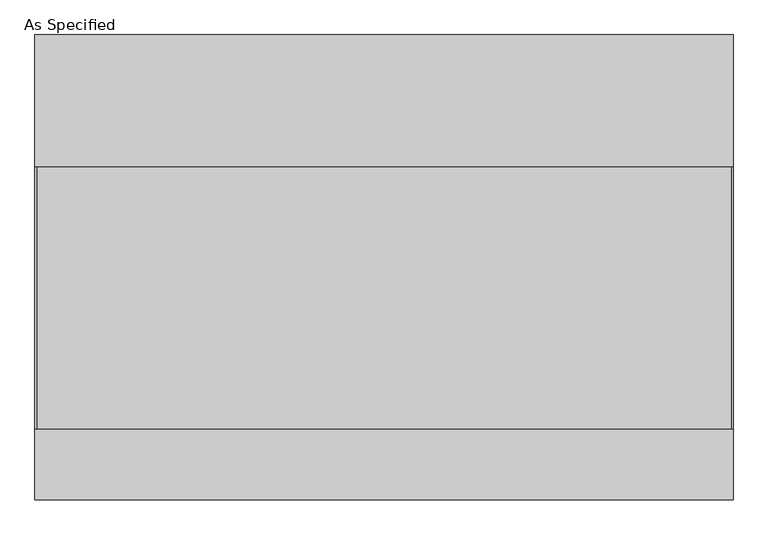
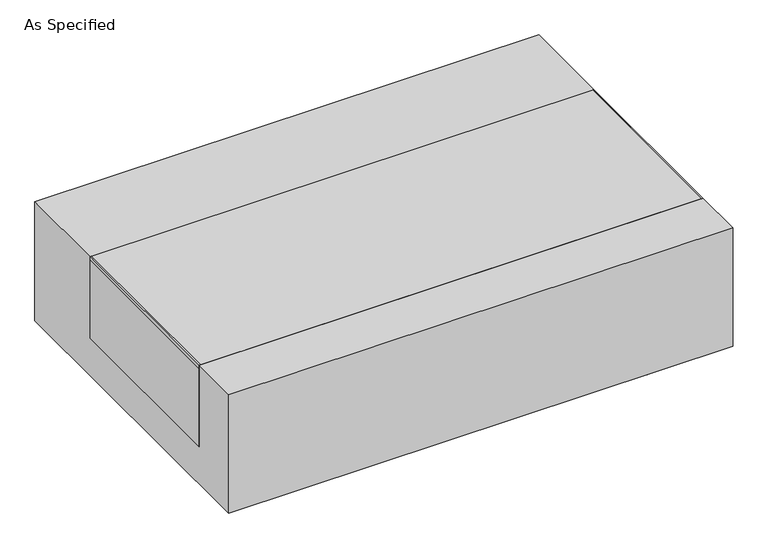
"""IFC4 building model written with IfcOpenShell, lengths in millimetres: proxy geometry, As Specified."""

import ifcopenshell
import ifcopenshell.guid

model = None  # the IFC model being written
_history = None  # IfcOwnerHistory: only IFC2X3 demands one
_inside = {}  # id of a spatial element -> (the spatial element, [elements in it])
_under = {}  # id of a project, library or spatial element -> (it, [spatial elements below it])
_declared = {}  # id of a project -> (the project, [libraries it declares])
_typed = {}  # id of a type object -> (the type object, [elements of that type])
_made_of = {}  # id of a material, layer set ... -> (it, [elements and type objects made of it])


def new_model(schema):
    """Start an empty IFC model of exactly this schema.

    Asked for "IFC4X3", IfcOpenShell would pick the latest addendum, in which some entities
    have other attributes; the version numbers below select the first issue.
    IFC2X3 requires an IfcOwnerHistory on every rooted entity: one is made here for all.
    """
    global model, _history
    if schema == "IFC4X3":
        model = ifcopenshell.file(schema_version=(4, 3, 0, 0))
    else:
        model = ifcopenshell.file(schema=schema)
    _inside.clear()
    _under.clear()
    _declared.clear()
    _typed.clear()
    _made_of.clear()
    _history = None
    if model.schema == "IFC2X3":
        org = make("IfcOrganization", Name="unknown")
        user = make(
            "IfcPersonAndOrganization",
            ThePerson=make("IfcPerson", FamilyName="unknown"),
            TheOrganization=org,
        )
        app = make(
            "IfcApplication",
            ApplicationDeveloper=org,
            Version="unknown",
            ApplicationFullName="unknown",
            ApplicationIdentifier="unknown",
        )
        _history = make(
            "IfcOwnerHistory",
            OwningUser=user,
            OwningApplication=app,
            ChangeAction="ADDED",
            CreationDate=0,
        )
    return model


def make(cls, **values):
    """One entity of the class cls with the attributes given. An attribute that is None is left unset."""
    return model.create_entity(
        cls, **{name: value for name, value in values.items() if value is not None}
    )


def rooted(cls, **values):
    """An entity with a GlobalId (a new one), such as an element, a storey or a relation."""
    return make(cls, GlobalId=ifcopenshell.guid.new(), OwnerHistory=_history, **values)


def si_unit(unit_type, name, prefix=None):
    """IfcSIUnit, for example si_unit("LENGTHUNIT", "METRE", prefix="MILLI")."""
    return make("IfcSIUnit", UnitType=unit_type, Prefix=prefix, Name=name)


def assignment(units):
    """IfcUnitAssignment: the units of a project."""
    return None if units is None else make("IfcUnitAssignment", Units=units)


def point(xyz):
    """IfcCartesianPoint."""
    return None if xyz is None else make("IfcCartesianPoint", Coordinates=xyz)


def direction(xyz):
    """IfcDirection."""
    return None if xyz is None else make("IfcDirection", DirectionRatios=xyz)


def frame(location, z_axis=None, x_axis=None):
    """IfcAxis2Placement3D, a coordinate frame: its origin and axes. An axis left out is left unset."""
    return make(
        "IfcAxis2Placement3D",
        Location=point(location),
        Axis=direction(z_axis),
        RefDirection=direction(x_axis),
    )


def frame_2d(location, x_axis=None):
    """IfcAxis2Placement2D, a coordinate frame in the plane: its origin and x axis."""
    return make(
        "IfcAxis2Placement2D", Location=point(location), RefDirection=direction(x_axis)
    )


def origin():
    """The frame at (0, 0, 0) with its axes left unset."""
    return frame((0.0, 0.0, 0.0))


def place(relative_to, where):
    """IfcLocalPlacement: puts the frame where relative to a parent placement (None: the world)."""
    return make(
        "IfcLocalPlacement", PlacementRelTo=relative_to, RelativePlacement=where
    )


def context(
    kind, dimensions, precision=None, world=None, true_north=None, identifier=None
):
    """IfcGeometricRepresentationContext, for example the 3D "Model" context."""
    return make(
        "IfcGeometricRepresentationContext",
        ContextIdentifier=identifier,
        ContextType=kind,
        CoordinateSpaceDimension=dimensions,
        Precision=precision,
        WorldCoordinateSystem=world,
        TrueNorth=true_north,
    )


def project(units=None, contexts=None):
    """IfcProject with its units and contexts."""
    return rooted(
        "IfcProject",
        Name="project",
        RepresentationContexts=contexts,
        UnitsInContext=assignment(units),
    )


def spatial(cls, under=None, at=None, **own):
    """A site, building, storey or space (cls), placed at a placement, below another one or the project."""
    s = rooted(cls, ObjectPlacement=at, **own)
    if under is not None:
        _under.setdefault(under.id(), (under, []))[1].append(s)
    return s


def polyline(points):
    """IfcPolyline through the points."""
    return make("IfcPolyline", Points=[point(p) for p in points])


def circle_curve(where, radius):
    """IfcCircle in the frame where."""
    return make("IfcCircle", Position=where, Radius=radius)


def trimmed(basis, trim1, trim2, sense, master):
    """IfcTrimmedCurve: the piece of a basis curve between two trims."""
    return make(
        "IfcTrimmedCurve",
        BasisCurve=basis,
        Trim1=trim1,
        Trim2=trim2,
        SenseAgreement=sense,
        MasterRepresentation=master,
    )


def segment(curve, same_sense, transition):
    """IfcCompositeCurveSegment."""
    return make(
        "IfcCompositeCurveSegment",
        Transition=transition,
        SameSense=same_sense,
        ParentCurve=curve,
    )


def composite_curve(segments, self_intersect=None):
    """IfcCompositeCurve: segments joined end to end."""
    return make("IfcCompositeCurve", Segments=segments, SelfIntersect=self_intersect)


def outline(outer, holes=None, kind="AREA"):
    """IfcArbitraryClosedProfileDef: a profile drawn as a closed curve; with holes, ...WithVoids."""
    if holes is None:
        return make("IfcArbitraryClosedProfileDef", ProfileType=kind, OuterCurve=outer)
    return make(
        "IfcArbitraryProfileDefWithVoids",
        ProfileType=kind,
        OuterCurve=outer,
        InnerCurves=holes,
    )


def extrude(swept, where, along, depth):
    """IfcExtrudedAreaSolid: the profile swept, set in the frame where, extruded along a direction by depth."""
    return make(
        "IfcExtrudedAreaSolid",
        SweptArea=swept,
        Position=where,
        ExtrudedDirection=direction(along),
        Depth=depth,
    )


def shape(context_of_items, identifier, shape_type, items):
    """IfcShapeRepresentation: the items that make up one representation, for example the "Body"."""
    return make(
        "IfcShapeRepresentation",
        ContextOfItems=context_of_items,
        RepresentationIdentifier=identifier,
        RepresentationType=shape_type,
        Items=items,
    )


def source(mapping_origin, context_of_items, identifier, shape_type, items):
    """IfcRepresentationMap: a shape defined once, which mapped items show again and again."""
    return make(
        "IfcRepresentationMap",
        MappingOrigin=mapping_origin,
        MappedRepresentation=shape(context_of_items, identifier, shape_type, items),
    )


def transform(
    local_origin,
    x_axis=None,
    y_axis=None,
    z_axis=None,
    scale=None,
    scale2=None,
    scale3=None,
    uniform=True,
):
    """IfcCartesianTransformationOperator3D, or its non-uniform kind. x_axis, y_axis, z_axis: its Axis1, 2, 3."""
    if uniform:
        return make(
            "IfcCartesianTransformationOperator3D",
            Axis1=direction(x_axis),
            Axis2=direction(y_axis),
            LocalOrigin=point(local_origin),
            Scale=scale,
            Axis3=direction(z_axis),
        )
    return make(
        "IfcCartesianTransformationOperator3DnonUniform",
        Axis1=direction(x_axis),
        Axis2=direction(y_axis),
        LocalOrigin=point(local_origin),
        Scale=scale,
        Axis3=direction(z_axis),
        Scale2=scale2,
        Scale3=scale3,
    )


def mapped(mapping_source, mapping_target):
    """IfcMappedItem: shows the shape of a source again, moved by a transform."""
    return make(
        "IfcMappedItem", MappingSource=mapping_source, MappingTarget=mapping_target
    )


def made_of(thing, what):
    """Note that an element or type object is made of a material, layer set ...; save() writes the relation."""
    if what is not None:
        _made_of.setdefault(what.id(), (what, []))[1].append(thing)
    return thing


def element(
    cls,
    number,
    at=None,
    inside=None,
    cuts=None,
    type_object=None,
    material=None,
    context=None,
    identifier="Body",
    shape_type=None,
    held_by="IfcProductDefinitionShape",
    body=None,
    shapes=None,
    **own,
):
    """One element of the class cls, such as IfcWall. Its Tag is "e" and its number.

    at: its placement. inside: the storey or other place that contains it. cuts: it is an
    opening in that element (IfcRelVoidsElement). A single representation is given by context,
    identifier, shape_type and body (its items); several are given by shapes. held_by: the class
    of the entity that holds the representations. save() writes the other relations.
    """
    e = rooted(cls, Tag="e%d" % number, ObjectPlacement=at, **own)
    if body is not None:
        shapes = [shape(context, identifier, shape_type, body)]
    if shapes is not None:
        e.Representation = make(held_by, Representations=shapes)
    if inside is not None:
        _inside.setdefault(inside.id(), (inside, []))[1].append(e)
    if cuts is not None:
        rooted(
            "IfcRelVoidsElement", RelatingBuildingElement=cuts, RelatedOpeningElement=e
        )
    if type_object is not None:
        _typed.setdefault(type_object.id(), (type_object, []))[1].append(e)
    return made_of(e, material)


def aggregate(whole, parts):
    """IfcRelAggregates: a whole, such as a stair, and the parts it consists of."""
    return rooted("IfcRelAggregates", RelatingObject=whole, RelatedObjects=parts)


def save(model, path):
    """Write the relations noted so far, then the file.

    IfcRelAggregates (storeys below a building ...), IfcRelContainedInSpatialStructure (elements
    in a storey), IfcRelDefinesByType, IfcRelAssociatesMaterial and IfcRelDeclares: one each for
    every whole, place, type object, material and project.
    """
    for whole, parts in _under.values():
        aggregate(whole, parts)
    for where, things in _inside.values():
        rooted(
            "IfcRelContainedInSpatialStructure",
            RelatedElements=things,
            RelatingStructure=where,
        )
    for kind, things in _typed.values():
        rooted("IfcRelDefinesByType", RelatedObjects=things, RelatingType=kind)
    for what, things in _made_of.values():
        rooted("IfcRelAssociatesMaterial", RelatedObjects=things, RelatingMaterial=what)
    for by, libraries in _declared.values():
        rooted("IfcRelDeclares", RelatingContext=by, RelatedDefinitions=libraries)
    model.write(path)


def as_specified_c4aca140(model_context):
    return source(origin(), model_context, "Body", "SweptSolid", [
        extrude(outline(composite_curve([segment(trimmed(circle_curve(frame_2d((694.4125, -626.275)), 10.5), [point((694.4125, -636.775))], [point((694.4125, -615.775))], False, "CARTESIAN"), True, "CONTINUOUS"), segment(trimmed(circle_curve(frame_2d((694.4125, -626.275)), 10.5), [point((694.4125, -615.775))], [point((694.4125, -636.775))], False, "CARTESIAN"), True, "CONTINUOUS")], self_intersect=False)), frame((0.0, 0.0, -562.225), z_axis=(0.0, 0.0, 1.0), x_axis=(1.0, 0.0, 0.0)), (0.0, 0.0, 1.0), 32.0),
        extrude(outline(polyline([(-1008.85625, -469.9), (-1014.4125, -469.9), (-1014.4125, 292.1), (-1008.85625, 292.1), (-1008.85625, -469.9)])), frame((0.0, 0.0, -39.6875), z_axis=(0.0, 0.0, 1.0), x_axis=(1.0, 0.0, 0.0)), (0.0, 0.0, 1.0), 14.2875),
        extrude(outline(polyline([(1010.44375, 292.1), (1014.4125, 292.1), (1014.4125, -469.9), (1010.44375, -469.9), (1010.44375, 292.1)])), frame((0.0, 0.0, -39.6875), z_axis=(0.0, 0.0, 1.0), x_axis=(1.0, 0.0, 0.0)), (0.0, 0.0, 1.0), 14.2875),
        extrude(outline(polyline([(1014.4125, 292.1), (1014.4125, -469.9), (-1014.4125, -469.9), (-1014.4125, 292.1), (1014.4125, 292.1)])), frame((0.0, 0.0, -373.0625), z_axis=(0.0, 0.0, 1.0), x_axis=(1.0, 0.0, 0.0)), (0.0, 0.0, 1.0), 347.6625),
        extrude(outline(polyline([(676.275, -25.4), (676.275, -530.225), (-676.275, -530.225), (-676.275, -25.4), (-469.9, -25.4), (-469.9, -373.0625), (292.1, -373.0625), (292.1, -25.4), (676.275, -25.4)])), frame((-1014.4125, 0.0, 0.0), z_axis=(1.0, 0.0, 0.0), x_axis=(0.0, 1.0, 0.0)), (0.0, 0.0, 1.0), 2028.825),
    ])


if __name__ == "__main__":
    model = new_model("IFC4")
    model_context = context("Model", 3, world=origin())
    ifc_project = project(units=[si_unit("LENGTHUNIT", "METRE", prefix="MILLI")], contexts=[model_context])
    site = spatial("IfcSite", under=ifc_project)
    building = spatial("IfcBuilding", under=site)
    placement = place(None, origin())
    as_specified_shape = as_specified_c4aca140(model_context)
    element("IfcBuildingElementProxy", 1, Name="As Specified", ObjectType="As Specified", at=placement, inside=building, context=model_context, shape_type="MappedRepresentation", body=[
        mapped(as_specified_shape, transform((0.0, 0.0, 0.0), x_axis=(1.0, 0.0, 0.0), y_axis=(0.0, 1.0, 0.0), z_axis=(0.0, 0.0, 1.0))),
    ])
    save(model, "model.ifc")
